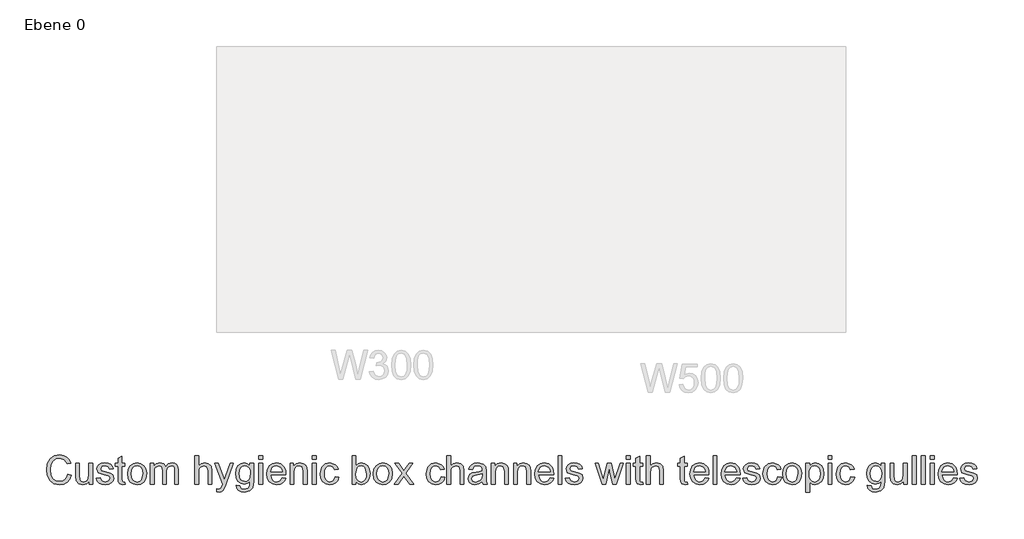
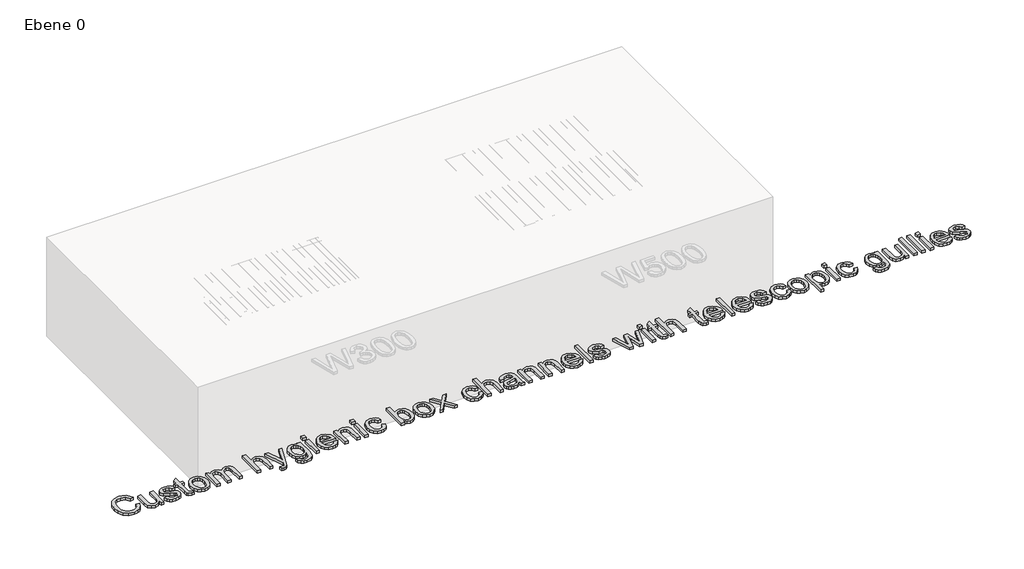
# One storey, part 3 of 4: 1 proxy.
"""IFC4 building model written with IfcOpenShell, lengths in millimetres."""

from ifc_helpers import new_model, si_unit, origin, origin_with_axes, place, context, project, spatial, polyline, outline, extrude, element, save

model = new_model("IFC4")

# Units and contexts
model_context = context("Model", 3, world=origin())
ifc_project = project(units=[si_unit("LENGTHUNIT", "METRE", prefix="MILLI")], contexts=[model_context])

# Site, building, storey
site = spatial("IfcSite", under=ifc_project)
building = spatial("IfcBuilding", under=site)
storey = spatial("IfcBuildingStorey", under=building, Name="Ebene 0", Elevation=0.0)

# Proxy
placement = place(None, origin())
element("IfcBuildingElementProxy", 1, Name="100mm ACO", ObjectType="100mm ACO", at=placement, inside=storey, context=model_context, shape_type="SweptSolid", body=[
    extrude(outline(polyline([(6937.778672, -4443.8593457), (6931.8650435, -4458.6850112), (6922.7468433, -4469.1921003), (6910.9593722, -4475.452951), (6897.0379312, -4477.5399012), (6876.1322599, -4473.6842878), (6861.7948757, -4462.1174475), (6853.5049451, -4445.12526), (6850.7416349, -4424.9936049), (6853.9859926, -4403.6068862), (6863.7190655, -4387.421267), (6878.5519648, -4377.2324649), (6897.0958016, -4373.8361975), (6910.4096037, -4375.6482635), (6921.6473062, -4381.0844614), (6930.3170111, -4390.0145829), (6935.9268201, -4402.3084197), (6922.9638572, -4405.317679), (6913.1114266, -4390.0543688), (6896.6039034, -4384.9473086), (6882.3822599, -4387.6563654), (6872.0668664, -4395.7835355), (6865.795165, -4408.4679973), (6863.7045979, -4424.848929), (6865.9181396, -4443.2119209), (6872.5587646, -4456.171267), (6882.7584173, -4463.8644093), (6895.6490423, -4466.4287901), (6906.2176187, -4464.8120366), (6914.6015886, -4459.9617762), (6920.8009521, -4451.8635413), (6924.815709, -4440.5028642), (6937.778672, -4443.8593457)])), origin_with_axes(), (0.0, 0.0, 1.0), 10.0),
    extrude(outline(polyline([(7011.852746, -4475.6880494), (7000.7416349, -4475.6880494), (7000.7416349, -4465.1845772), (6990.4985794, -4474.4510702), (6977.5356164, -4477.5399012), (6963.415246, -4474.0242762), (6954.7636257, -4464.3454568), (6952.5934868, -4448.3442994), (6952.5934868, -4403.4658272), (6965.5564497, -4403.4658272), (6965.5564497, -4444.4380494), (6966.4534405, -4458.5294846), (6971.1409405, -4465.5317994), (6980.1687183, -4468.280642), (6992.9146673, -4463.3616605), (6997.3960041, -4455.8095772), (6998.8897831, -4442.9912901), (6998.8897831, -4403.4658272), (7011.852746, -4403.4658272), (7011.852746, -4475.6880494)])), origin_with_axes(), (0.0, 0.0, 1.0), 10.0),
    extrude(outline(polyline([(7071.1120053, -4423.8361975), (7066.3232322, -4414.1139753), (7055.2555238, -4410.8732346), (7043.9418664, -4413.6510123), (7039.6305238, -4421.723929), (7042.4806396, -4428.8709197), (7055.9210331, -4432.7482346), (7073.643834, -4436.9149012), (7082.6860794, -4443.2372392), (7085.9268201, -4454.5653642), (7083.9158247, -4463.4954857), (7077.8828386, -4470.8992762), (7068.4861372, -4475.879745), (7056.383996, -4477.5399012), (7043.9093143, -4476.1437785), (7034.4945284, -4471.9554105), (7028.1324046, -4464.9820309), (7024.815709, -4455.2308735), (7037.778672, -4453.4658272), (7043.3776303, -4464.5914059), (7056.383996, -4468.280642), (7068.6814497, -4464.4467299), (7072.9638572, -4455.1151327), (7071.0396673, -4449.140017), (7066.2364266, -4445.7690679), (7052.6513572, -4442.8755494), (7031.7167507, -4435.0630494), (7026.6675609, -4422.4762438), (7028.5374972, -4414.1899302), (7034.1473062, -4407.5022855), (7042.9182842, -4403.0860529), (7054.2717275, -4401.6139753), (7066.2038745, -4402.901591), (7075.1484636, -4406.7644383), (7081.1054949, -4413.1952832), (7084.0749683, -4422.186892), (7071.1120053, -4423.8361975)])), origin_with_axes(), (0.0, 0.0, 1.0), 10.0),
    extrude(outline(polyline([(7126.6675609, -4476.7007809), (7117.5819127, -4477.5399012), (7105.993371, -4474.6608503), (7101.5518201, -4467.354716), (7100.7416349, -4455.0283272), (7100.7416349, -4412.7250864), (7091.4823757, -4412.7250864), (7091.4823757, -4403.4658272), (7100.7416349, -4403.4658272), (7100.7416349, -4385.1209197), (7113.7045979, -4377.5399012), (7113.7045979, -4403.4658272), (7124.815709, -4403.4658272), (7124.815709, -4412.7250864), (7113.7045979, -4412.7250864), (7113.7045979, -4457.6324938), (7114.7462646, -4465.8500864), (7120.0414034, -4468.280642), (7125.0761257, -4468.280642), (7126.6675609, -4476.7007809)])), origin_with_axes(), (0.0, 0.0, 1.0), 10.0),
    extrude(outline(polyline([(7167.3793664, -4401.6139753), (7180.5557264, -4404.0083619), (7191.2653618, -4411.1915216), (7198.3725666, -4422.7872971), (7200.7416349, -4438.4195309), (7198.1772541, -4456.6921003), (7190.4841118, -4468.6857346), (7179.5791639, -4475.3263596), (7167.3793664, -4477.5399012), (7154.788944, -4475.2648723), (7143.9852692, -4468.4397855), (7136.5525435, -4456.6740158), (7134.0749683, -4439.5769383), (7136.4693548, -4422.859635), (7143.6525146, -4411.0179105), (7154.3730007, -4403.9649591), (7167.3793664, -4401.6139753)]), holes=[polyline([(7167.3793664, -4468.280642), (7176.1865134, -4466.2732635), (7182.5848062, -4460.2511281), (7187.778672, -4439.1139753), (7186.3102113, -4426.8309892), (7181.9048294, -4417.9912901), (7175.3365423, -4412.6527485), (7167.3793664, -4410.8732346), (7159.2666639, -4412.6780667), (7152.7526303, -4418.0925633), (7148.466606, -4427.0805552), (7147.0379312, -4439.6058735), (7148.4919243, -4452.087789), (7152.8539034, -4461.0613133), (7159.3932553, -4466.4758098), (7167.3793664, -4468.280642)])]), origin_with_axes(), (0.0, 0.0, 1.0), 10.0),
    extrude(outline(polyline([(7311.852746, -4475.6880494), (7298.8897831, -4475.6880494), (7298.8897831, -4428.9866605), (7298.2387414, -4420.1758966), (7294.8533247, -4413.6944151), (7286.3319127, -4410.8732346), (7274.3238109, -4416.0236975), (7270.5260678, -4422.7800633), (7269.2601534, -4432.7482346), (7269.2601534, -4475.6880494), (7256.2971905, -4475.6880494), (7256.2971905, -4427.5977716), (7253.1143201, -4414.4322623), (7244.0865423, -4410.8732346), (7231.5576072, -4416.4432577), (7227.8900724, -4424.4402195), (7226.6675609, -4437.2910586), (7226.6675609, -4475.6880494), (7213.7045979, -4475.6880494), (7213.7045979, -4403.4658272), (7224.815709, -4403.4658272), (7224.815709, -4413.3616605), (7234.1979428, -4404.5508966), (7246.7485794, -4401.6139753), (7259.9285562, -4404.7823781), (7267.4083016, -4414.3165216), (7276.9279775, -4404.7896119), (7289.5147831, -4401.6139753), (7299.2876419, -4403.1330725), (7306.2682553, -4407.6903642), (7310.4566234, -4415.2858503), (7311.852746, -4425.9195309), (7311.852746, -4475.6880494)])), origin_with_axes(), (0.0, 0.0, 1.0), 10.0),
    extrude(outline(polyline([(7428.5194127, -4475.6880494), (7415.5564497, -4475.6880494), (7415.5564497, -4428.9866605), (7411.8672136, -4415.401591), (7400.8573757, -4410.8732346), (7387.9233479, -4416.2117762), (7383.6481743, -4423.6445019), (7382.2231164, -4435.2655957), (7382.2231164, -4475.6880494), (7369.2601534, -4475.6880494), (7369.2601534, -4375.6880494), (7382.2231164, -4375.6880494), (7382.2231164, -4411.5098086), (7391.9236372, -4404.0879336), (7403.7798294, -4401.6139753), (7417.0610794, -4404.4785586), (7425.9586488, -4413.2893225), (7428.5194127, -4429.7968457), (7428.5194127, -4475.6880494)])), origin_with_axes(), (0.0, 0.0, 1.0), 10.0),
    extrude(outline(polyline([(7504.4453386, -4403.4658272), (7477.2751997, -4477.6267068), (7468.2329544, -4496.9698781), (7462.1457148, -4501.8418399), (7453.9245053, -4503.4658272), (7446.3434868, -4502.3084197), (7445.1860794, -4492.354716), (7451.7254312, -4494.2065679), (7460.5795979, -4490.2424475), (7466.4534405, -4476.7586512), (7439.6305238, -4403.4658272), (7451.3492738, -4403.4658272), (7468.9708016, -4449.5595772), (7472.2983479, -4460.4970772), (7477.2173294, -4446.8107346), (7492.7555238, -4403.4658272), (7504.4453386, -4403.4658272)])), origin_with_axes(), (0.0, 0.0, 1.0), 10.0),
    extrude(outline(polyline([(7574.815709, -4465.0399012), (7571.763047, -4487.6816836), (7560.8978849, -4499.3136281), (7542.2346905, -4503.4658272), (7531.0186893, -4502.0588538), (7521.8498525, -4497.8379336), (7515.7409115, -4490.4124417), (7513.7045979, -4479.3917531), (7526.6675609, -4481.4461512), (7531.2393201, -4491.0092299), (7542.4372368, -4494.2065679), (7555.747422, -4490.5173318), (7560.9123525, -4481.5329568), (7561.852746, -4466.9206883), (7553.0781511, -4473.4962091), (7542.2636257, -4475.6880494), (7529.8721326, -4473.0766489), (7520.1860794, -4465.2424475), (7513.9360794, -4453.4296582), (7511.852746, -4438.8824938), (7513.8348062, -4424.2412901), (7519.7809868, -4412.2621235), (7529.2283247, -4404.2760123), (7541.7138572, -4401.6139753), (7552.7887993, -4403.9938943), (7561.5923294, -4411.1336512), (7561.852746, -4403.4658272), (7574.815709, -4403.4658272), (7574.815709, -4465.0399012)]), holes=[polyline([(7544.2022831, -4466.4287901), (7551.414378, -4464.8228873), (7557.7728849, -4460.005179), (7562.2216697, -4451.411429), (7563.7045979, -4438.4774012), (7562.2903907, -4426.6899302), (7558.0477692, -4418.0057577), (7551.7218143, -4412.6563654), (7544.0576072, -4410.8732346), (7536.3355296, -4412.6997681), (7530.1831859, -4418.1793688), (7526.1575782, -4426.8346061), (7524.815709, -4438.1880494), (7526.2226824, -4450.9050633), (7530.4436025, -4459.6579568), (7536.6972194, -4464.7360818), (7544.2022831, -4466.4287901)])]), origin_with_axes(), (0.0, 0.0, 1.0), 10.0),
    extrude(outline(polyline([(7606.2971905, -4388.6510123), (7593.3342275, -4388.6510123), (7593.3342275, -4375.6880494), (7606.2971905, -4375.6880494), (7606.2971905, -4388.6510123)])), origin_with_axes(), (0.0, 0.0, 1.0), 10.0),
    extrude(outline(polyline([(7606.2971905, -4475.6880494), (7593.3342275, -4475.6880494), (7593.3342275, -4403.4658272), (7606.2971905, -4403.4658272), (7606.2971905, -4475.6880494)])), origin_with_axes(), (0.0, 0.0, 1.0), 10.0),
    extrude(outline(polyline([(7687.778672, -4442.354716), (7634.0749683, -4442.354716), (7636.1474509, -4453.4802947), (7640.8602692, -4461.6255494), (7647.6419532, -4466.6168688), (7655.9210331, -4468.280642), (7667.5963803, -4464.5914059), (7674.815709, -4453.4658272), (7687.778672, -4454.9704568), (7683.4022252, -4464.5914059), (7676.4650146, -4471.6949938), (7667.2202229, -4476.0786744), (7655.9210331, -4477.5399012), (7641.3340828, -4475.0333908), (7630.3278618, -4467.5138596), (7623.4159694, -4455.6540505), (7621.1120053, -4440.1267068), (7623.3327808, -4424.5885123), (7629.9951072, -4412.2910586), (7640.6938919, -4404.2832461), (7655.0240423, -4401.6139753), (7670.2439497, -4405.0717299), (7682.6716118, -4416.8483503), (7686.5019069, -4427.3843746), (7687.778672, -4442.354716)]), holes=[polyline([(7674.815709, -4433.0954568), (7672.7323757, -4422.9392068), (7667.9870053, -4416.0815679), (7654.7057553, -4410.8732346), (7646.8498525, -4412.421267), (7640.5275146, -4417.0653642), (7634.0749683, -4433.0954568), (7674.815709, -4433.0954568)])]), origin_with_axes(), (0.0, 0.0, 1.0), 10.0),
    extrude(outline(polyline([(7761.852746, -4475.6880494), (7748.8897831, -4475.6880494), (7748.8897831, -4430.7227716), (7745.0269359, -4415.1267068), (7734.2775146, -4410.8732346), (7724.2514729, -4413.593142), (7717.5385099, -4421.260966), (7715.5564497, -4435.2655957), (7715.5564497, -4475.6880494), (7702.5934868, -4475.6880494), (7702.5934868, -4403.4658272), (7713.7045979, -4403.4658272), (7713.7045979, -4413.5063364), (7723.6004312, -4404.5798318), (7736.852746, -4401.6139753), (7748.2242738, -4403.6683735), (7757.0205701, -4409.8171003), (7761.0280933, -4418.5555262), (7761.852746, -4431.098929), (7761.852746, -4475.6880494)])), origin_with_axes(), (0.0, 0.0, 1.0), 10.0),
    extrude(outline(polyline([(7793.3342275, -4388.6510123), (7780.3712646, -4388.6510123), (7780.3712646, -4375.6880494), (7793.3342275, -4375.6880494), (7793.3342275, -4388.6510123)])), origin_with_axes(), (0.0, 0.0, 1.0), 10.0),
    extrude(outline(polyline([(7793.3342275, -4475.6880494), (7780.3712646, -4475.6880494), (7780.3712646, -4403.4658272), (7793.3342275, -4403.4658272), (7793.3342275, -4475.6880494)])), origin_with_axes(), (0.0, 0.0, 1.0), 10.0),
    extrude(outline(polyline([(7872.9638572, -4451.2378179), (7868.9346326, -4463.0433735), (7861.7659405, -4471.2030957), (7852.4415771, -4475.9556998), (7841.9453386, -4477.5399012), (7827.6296558, -4474.9502022), (7816.9742738, -4467.1811049), (7810.3553502, -4455.1368341), (7808.1490423, -4439.7216142), (7813.1837646, -4417.036429), (7825.7850377, -4405.0717299), (7841.684922, -4401.6139753), (7861.143834, -4407.270804), (7867.679569, -4414.2550343), (7871.1120053, -4423.8940679), (7858.1490423, -4425.6880494), (7852.2462646, -4414.5914059), (7841.8295979, -4410.8732346), (7832.8741581, -4412.7576385), (7826.378209, -4418.4108503), (7822.4285562, -4427.442245), (7821.1120053, -4439.4611975), (7822.4321731, -4451.6899302), (7826.3926766, -4460.7719614), (7832.841606, -4466.4034718), (7841.6270516, -4468.280642), (7854.2283247, -4463.6510123), (7860.0008942, -4449.7621235), (7872.9638572, -4451.2378179)])), origin_with_axes(), (0.0, 0.0, 1.0), 10.0),
    extrude(outline(polyline([(7932.3967275, -4410.6128179), (7940.758996, -4403.863686), (7951.841172, -4401.6139753), (7964.2652171, -4404.1602716), (7973.9331859, -4411.7991605), (7980.1506338, -4423.5468457), (7982.2231164, -4438.4195309), (7979.9444706, -4455.1549186), (7973.1085331, -4467.4559892), (7963.2199335, -4475.0189232), (7951.7833016, -4477.5399012), (7940.7662298, -4475.0659429), (7932.4835331, -4467.6440679), (7932.2231164, -4475.6880494), (7919.2601534, -4475.6880494), (7919.2601534, -4375.6880494), (7932.2231164, -4375.6880494), (7932.3967275, -4410.6128179)]), holes=[polyline([(7950.5680238, -4468.280642), (7957.9862819, -4466.3890042), (7963.9794822, -4460.714091), (7967.9399856, -4451.6175922), (7969.2601534, -4439.4611975), (7964.3990423, -4418.5844614), (7958.6120053, -4412.8010413), (7950.9731164, -4410.8732346), (7943.3486951, -4412.8625285), (7937.3735794, -4418.8304105), (7932.2231164, -4438.9692994), (7934.3643201, -4455.9253179), (7940.8168664, -4464.620341), (7950.5680238, -4468.280642)])]), origin_with_axes(), (0.0, 0.0, 1.0), 10.0),
    extrude(outline(polyline([(8026.6386257, -4401.6139753), (8039.8149856, -4404.0083619), (8050.524621, -4411.1915216), (8057.6318259, -4422.7872971), (8060.0008942, -4438.4195309), (8057.4365134, -4456.6921003), (8049.743371, -4468.6857346), (8038.8384231, -4475.3263596), (8026.6386257, -4477.5399012), (8014.0482032, -4475.2648723), (8003.2445284, -4468.4397855), (7995.8118028, -4456.6740158), (7993.3342275, -4439.5769383), (7995.7286141, -4422.859635), (8002.9117738, -4411.0179105), (8013.6322599, -4403.9649591), (8026.6386257, -4401.6139753)]), holes=[polyline([(8026.6386257, -4468.280642), (8035.4457727, -4466.2732635), (8041.8440655, -4460.2511281), (8047.0379312, -4439.1139753), (8045.5694706, -4426.8309892), (8041.1640886, -4417.9912901), (8034.5958016, -4412.6527485), (8026.6386257, -4410.8732346), (8018.5259231, -4412.6780667), (8012.0118896, -4418.0925633), (8007.7258653, -4427.0805552), (8006.2971905, -4439.6058735), (8007.7511835, -4452.087789), (8012.1131627, -4461.0613133), (8018.6525146, -4466.4758098), (8026.6386257, -4468.280642)])]), origin_with_axes(), (0.0, 0.0, 1.0), 10.0),
    extrude(outline(polyline([(8134.0749683, -4475.6880494), (8121.0251997, -4475.6880494), (8100.7705701, -4447.3894383), (8080.5159405, -4475.6880494), (8067.4083016, -4475.6880494), (8094.1733479, -4438.2748549), (8069.2601534, -4403.4658272), (8082.309922, -4403.4658272), (8100.7126997, -4429.1313364), (8119.0865423, -4403.4658272), (8132.2231164, -4403.4658272), (8107.2809868, -4438.3037901), (8134.0749683, -4475.6880494)])), origin_with_axes(), (0.0, 0.0, 1.0), 10.0),
    extrude(outline(polyline([(8243.3342275, -4451.2378179), (8239.305003, -4463.0433735), (8232.1363109, -4471.2030957), (8222.8119474, -4475.9556998), (8212.315709, -4477.5399012), (8198.0000261, -4474.9502022), (8187.3446442, -4467.1811049), (8180.7257206, -4455.1368341), (8178.5194127, -4439.7216142), (8183.5541349, -4417.036429), (8196.1554081, -4405.0717299), (8212.0552923, -4401.6139753), (8231.5142044, -4407.270804), (8238.0499393, -4414.2550343), (8241.4823757, -4423.8940679), (8228.5194127, -4425.6880494), (8222.6166349, -4414.5914059), (8212.1999683, -4410.8732346), (8203.2445284, -4412.7576385), (8196.7485794, -4418.4108503), (8192.7989266, -4427.442245), (8191.4823757, -4439.4611975), (8192.8025435, -4451.6899302), (8196.763047, -4460.7719614), (8203.2119764, -4466.4034718), (8211.997422, -4468.280642), (8224.5986951, -4463.6510123), (8230.3712646, -4449.7621235), (8243.3342275, -4451.2378179)])), origin_with_axes(), (0.0, 0.0, 1.0), 10.0),
    extrude(outline(polyline([(8310.0008942, -4475.6880494), (8297.0379312, -4475.6880494), (8297.0379312, -4428.9866605), (8293.3486951, -4415.401591), (8282.3388572, -4410.8732346), (8269.4048294, -4416.2117762), (8265.1296558, -4423.6445019), (8263.7045979, -4435.2655957), (8263.7045979, -4475.6880494), (8250.7416349, -4475.6880494), (8250.7416349, -4375.6880494), (8263.7045979, -4375.6880494), (8263.7045979, -4411.5098086), (8273.4051187, -4404.0879336), (8285.2613109, -4401.6139753), (8298.5425609, -4404.4785586), (8307.4401303, -4413.2893225), (8310.0008942, -4429.7968457), (8310.0008942, -4475.6880494)])), origin_with_axes(), (0.0, 0.0, 1.0), 10.0),
    extrude(outline(polyline([(8391.4823757, -4475.6880494), (8378.5194127, -4475.6880494), (8374.815709, -4466.9496235), (8362.3229428, -4474.8923318), (8348.8608479, -4477.5399012), (8338.8745921, -4476.093142), (8331.2537877, -4471.7528642), (8326.4252287, -4465.0399012), (8324.815709, -4456.4750864), (8326.3926766, -4448.1670714), (8331.1235794, -4441.4721929), (8339.7534984, -4436.5785297), (8353.0275146, -4433.6741605), (8364.3701072, -4431.9380494), (8374.815709, -4429.3917531), (8374.4829544, -4421.3622392), (8372.544297, -4416.4866605), (8367.3793664, -4412.421267), (8357.8018201, -4410.8732346), (8345.7213803, -4414.0127022), (8339.6305238, -4425.6880494), (8326.6675609, -4424.0966142), (8330.2229717, -4414.2875864), (8336.8961488, -4407.2563364), (8346.6798583, -4403.0245656), (8359.5668664, -4401.6139753), (8378.8232322, -4405.4768225), (8386.3753155, -4414.7939522), (8387.778672, -4428.8419846), (8387.778672, -4445.3639753), (8388.3284405, -4465.6186049), (8391.4823757, -4475.6880494)]), holes=[polyline([(8374.815709, -4443.280642), (8374.815709, -4438.6510123), (8351.5373525, -4443.9750864), (8341.2183421, -4448.0332461), (8337.778672, -4456.2725401), (8341.4823757, -4464.8952253), (8352.159459, -4468.280642), (8367.9725377, -4462.6093457), (8373.1049162, -4454.9415216), (8374.815709, -4443.280642)])]), origin_with_axes(), (0.0, 0.0, 1.0), 10.0),
    extrude(outline(polyline([(8465.5564497, -4475.6880494), (8452.5934868, -4475.6880494), (8452.5934868, -4430.7227716), (8448.7306396, -4415.1267068), (8437.9812183, -4410.8732346), (8427.9551766, -4413.593142), (8421.2422136, -4421.260966), (8419.2601534, -4435.2655957), (8419.2601534, -4475.6880494), (8406.2971905, -4475.6880494), (8406.2971905, -4403.4658272), (8417.4083016, -4403.4658272), (8417.4083016, -4413.5063364), (8427.3041349, -4404.5798318), (8440.5564497, -4401.6139753), (8451.9279775, -4403.6683735), (8460.7242738, -4409.8171003), (8464.731797, -4418.5555262), (8465.5564497, -4431.098929), (8465.5564497, -4475.6880494)])), origin_with_axes(), (0.0, 0.0, 1.0), 10.0),
    extrude(outline(polyline([(8543.3342275, -4475.6880494), (8530.3712646, -4475.6880494), (8530.3712646, -4430.7227716), (8526.5084173, -4415.1267068), (8515.758996, -4410.8732346), (8505.7329544, -4413.593142), (8499.0199914, -4421.260966), (8497.0379312, -4435.2655957), (8497.0379312, -4475.6880494), (8484.0749683, -4475.6880494), (8484.0749683, -4403.4658272), (8495.1860794, -4403.4658272), (8495.1860794, -4413.5063364), (8505.0819127, -4404.5798318), (8518.3342275, -4401.6139753), (8529.7057553, -4403.6683735), (8538.5020516, -4409.8171003), (8542.5095747, -4418.5555262), (8543.3342275, -4431.098929), (8543.3342275, -4475.6880494)])), origin_with_axes(), (0.0, 0.0, 1.0), 10.0),
    extrude(outline(polyline([(8624.815709, -4442.354716), (8571.1120053, -4442.354716), (8573.1844879, -4453.4802947), (8577.8973062, -4461.6255494), (8584.6789903, -4466.6168688), (8592.9580701, -4468.280642), (8604.6334173, -4464.5914059), (8611.852746, -4453.4658272), (8624.815709, -4454.9704568), (8620.4392622, -4464.5914059), (8613.5020516, -4471.6949938), (8604.2572599, -4476.0786744), (8592.9580701, -4477.5399012), (8578.3711199, -4475.0333908), (8567.3648988, -4467.5138596), (8560.4530065, -4455.6540505), (8558.1490423, -4440.1267068), (8560.3698178, -4424.5885123), (8567.0321442, -4412.2910586), (8577.7309289, -4404.2832461), (8592.0610794, -4401.6139753), (8607.2809868, -4405.0717299), (8619.7086488, -4416.8483503), (8623.538944, -4427.3843746), (8624.815709, -4442.354716)]), holes=[polyline([(8611.852746, -4433.0954568), (8609.7694127, -4422.9392068), (8605.0240423, -4416.0815679), (8591.7427923, -4410.8732346), (8583.8868896, -4412.421267), (8577.5645516, -4417.0653642), (8571.1120053, -4433.0954568), (8611.852746, -4433.0954568)])]), origin_with_axes(), (0.0, 0.0, 1.0), 10.0),
    extrude(outline(polyline([(8652.5934868, -4475.6880494), (8639.6305238, -4475.6880494), (8639.6305238, -4375.6880494), (8652.5934868, -4375.6880494), (8652.5934868, -4475.6880494)])), origin_with_axes(), (0.0, 0.0, 1.0), 10.0),
    extrude(outline(polyline([(8711.852746, -4423.8361975), (8707.0639729, -4414.1139753), (8695.9962646, -4410.8732346), (8684.6826072, -4413.6510123), (8680.3712646, -4421.723929), (8683.2213803, -4428.8709197), (8696.6617738, -4432.7482346), (8714.3845747, -4436.9149012), (8723.4268201, -4443.2372392), (8726.6675609, -4454.5653642), (8724.6565655, -4463.4954857), (8718.6235794, -4470.8992762), (8709.226878, -4475.879745), (8697.1247368, -4477.5399012), (8684.6500551, -4476.1437785), (8675.2352692, -4471.9554105), (8668.8731453, -4464.9820309), (8665.5564497, -4455.2308735), (8678.5194127, -4453.4658272), (8684.118371, -4464.5914059), (8697.1247368, -4468.280642), (8709.4221905, -4464.4467299), (8713.7045979, -4455.1151327), (8711.7804081, -4449.140017), (8706.9771673, -4445.7690679), (8693.3920979, -4442.8755494), (8672.4574914, -4435.0630494), (8667.4083016, -4422.4762438), (8669.2782379, -4414.1899302), (8674.888047, -4407.5022855), (8683.659025, -4403.0860529), (8695.0124683, -4401.6139753), (8706.9446153, -4402.901591), (8715.8892044, -4406.7644383), (8721.8462356, -4413.1952832), (8724.815709, -4422.186892), (8711.852746, -4423.8361975)])), origin_with_axes(), (0.0, 0.0, 1.0), 10.0),
    extrude(outline(polyline([(8867.8712646, -4403.4658272), (8843.6525146, -4475.6880494), (8831.383996, -4475.6880494), (8820.8805238, -4432.2852716), (8819.5784405, -4426.4258966), (8818.3342275, -4420.0167531), (8805.5738109, -4475.6880494), (8793.3342275, -4475.6880494), (8768.7971905, -4403.4658272), (8780.3423294, -4403.4658272), (8797.9638572, -4460.6996235), (8800.0761257, -4450.948466), (8811.1004312, -4403.4658272), (8825.6837646, -4403.4658272), (8834.4221905, -4441.3419846), (8838.4731164, -4459.1371235), (8856.3261257, -4403.4658272), (8867.8712646, -4403.4658272)])), origin_with_axes(), (0.0, 0.0, 1.0), 10.0),
    extrude(outline(polyline([(8891.4823757, -4475.6880494), (8878.5194127, -4475.6880494), (8878.5194127, -4403.4658272), (8891.4823757, -4403.4658272), (8891.4823757, -4475.6880494)])), origin_with_axes(), (0.0, 0.0, 1.0), 10.0),
    extrude(outline(polyline([(8891.4823757, -4388.6510123), (8878.5194127, -4388.6510123), (8878.5194127, -4375.6880494), (8891.4823757, -4375.6880494), (8891.4823757, -4388.6510123)])), origin_with_axes(), (0.0, 0.0, 1.0), 10.0),
    extrude(outline(polyline([(8937.778672, -4476.7007809), (8928.6930238, -4477.5399012), (8917.1044822, -4474.6608503), (8912.6629312, -4467.354716), (8911.852746, -4455.0283272), (8911.852746, -4412.7250864), (8902.5934868, -4412.7250864), (8902.5934868, -4403.4658272), (8911.852746, -4403.4658272), (8911.852746, -4385.1209197), (8924.815709, -4377.5399012), (8924.815709, -4403.4658272), (8935.9268201, -4403.4658272), (8935.9268201, -4412.7250864), (8924.815709, -4412.7250864), (8924.815709, -4457.6324938), (8925.8573757, -4465.8500864), (8931.1525146, -4468.280642), (8936.1872368, -4468.280642), (8937.778672, -4476.7007809)])), origin_with_axes(), (0.0, 0.0, 1.0), 10.0),
    extrude(outline(polyline([(9008.1490423, -4475.6880494), (8995.1860794, -4475.6880494), (8995.1860794, -4428.9866605), (8991.4968433, -4415.401591), (8980.4870053, -4410.8732346), (8967.5529775, -4416.2117762), (8963.2778039, -4423.6445019), (8961.852746, -4435.2655957), (8961.852746, -4475.6880494), (8948.8897831, -4475.6880494), (8948.8897831, -4375.6880494), (8961.852746, -4375.6880494), (8961.852746, -4411.5098086), (8971.5532669, -4404.0879336), (8983.409459, -4401.6139753), (8996.690709, -4404.4785586), (9005.5882784, -4413.2893225), (9008.1490423, -4429.7968457), (9008.1490423, -4475.6880494)])), origin_with_axes(), (0.0, 0.0, 1.0), 10.0),
    extrude(outline(polyline([(9093.3342275, -4476.7007809), (9084.2485794, -4477.5399012), (9072.6600377, -4474.6608503), (9068.2184868, -4467.354716), (9067.4083016, -4455.0283272), (9067.4083016, -4412.7250864), (9058.1490423, -4412.7250864), (9058.1490423, -4403.4658272), (9067.4083016, -4403.4658272), (9067.4083016, -4385.1209197), (9080.3712646, -4377.5399012), (9080.3712646, -4403.4658272), (9091.4823757, -4403.4658272), (9091.4823757, -4412.7250864), (9080.3712646, -4412.7250864), (9080.3712646, -4457.6324938), (9081.4129312, -4465.8500864), (9086.7080701, -4468.280642), (9091.7427923, -4468.280642), (9093.3342275, -4476.7007809)])), origin_with_axes(), (0.0, 0.0, 1.0), 10.0),
    extrude(outline(polyline([(9167.4083016, -4442.354716), (9113.7045979, -4442.354716), (9115.7770805, -4453.4802947), (9120.4898988, -4461.6255494), (9127.2715828, -4466.6168688), (9135.5506627, -4468.280642), (9147.2260099, -4464.5914059), (9154.4453386, -4453.4658272), (9167.4083016, -4454.9704568), (9163.0318548, -4464.5914059), (9156.0946442, -4471.6949938), (9146.8498525, -4476.0786744), (9135.5506627, -4477.5399012), (9120.9637125, -4475.0333908), (9109.9574914, -4467.5138596), (9103.045599, -4455.6540505), (9100.7416349, -4440.1267068), (9102.9624104, -4424.5885123), (9109.6247368, -4412.2910586), (9120.3235215, -4404.2832461), (9134.653672, -4401.6139753), (9149.8735794, -4405.0717299), (9162.3012414, -4416.8483503), (9166.1315365, -4427.3843746), (9167.4083016, -4442.354716)]), holes=[polyline([(9154.4453386, -4433.0954568), (9152.3620053, -4422.9392068), (9147.6166349, -4416.0815679), (9134.3353849, -4410.8732346), (9126.4794822, -4412.421267), (9120.1571442, -4417.0653642), (9113.7045979, -4433.0954568), (9154.4453386, -4433.0954568)])]), origin_with_axes(), (0.0, 0.0, 1.0), 10.0),
    extrude(outline(polyline([(9195.1860794, -4475.6880494), (9182.2231164, -4475.6880494), (9182.2231164, -4375.6880494), (9195.1860794, -4375.6880494), (9195.1860794, -4475.6880494)])), origin_with_axes(), (0.0, 0.0, 1.0), 10.0),
    extrude(outline(polyline([(9276.6675609, -4442.354716), (9222.9638572, -4442.354716), (9225.0363398, -4453.4802947), (9229.7491581, -4461.6255494), (9236.5308421, -4466.6168688), (9244.809922, -4468.280642), (9256.4852692, -4464.5914059), (9263.7045979, -4453.4658272), (9276.6675609, -4454.9704568), (9272.2911141, -4464.5914059), (9265.3539034, -4471.6949938), (9256.1091118, -4476.0786744), (9244.809922, -4477.5399012), (9230.2229717, -4475.0333908), (9219.2167507, -4467.5138596), (9212.3048583, -4455.6540505), (9210.0008942, -4440.1267068), (9212.2216697, -4424.5885123), (9218.883996, -4412.2910586), (9229.5827808, -4404.2832461), (9243.9129312, -4401.6139753), (9259.1328386, -4405.0717299), (9271.5605007, -4416.8483503), (9275.3907958, -4427.3843746), (9276.6675609, -4442.354716)]), holes=[polyline([(9263.7045979, -4433.0954568), (9261.6212646, -4422.9392068), (9256.8758942, -4416.0815679), (9243.5946442, -4410.8732346), (9235.7387414, -4412.421267), (9229.4164034, -4417.0653642), (9222.9638572, -4433.0954568), (9263.7045979, -4433.0954568)])]), origin_with_axes(), (0.0, 0.0, 1.0), 10.0),
    extrude(outline(polyline([(9332.2231164, -4423.8361975), (9327.4343433, -4414.1139753), (9316.3666349, -4410.8732346), (9305.0529775, -4413.6510123), (9300.7416349, -4421.723929), (9303.5917507, -4428.8709197), (9317.0321442, -4432.7482346), (9334.7549451, -4436.9149012), (9343.7971905, -4443.2372392), (9347.0379312, -4454.5653642), (9345.0269359, -4463.4954857), (9338.9939497, -4470.8992762), (9329.5972484, -4475.879745), (9317.4951072, -4477.5399012), (9305.0204254, -4476.1437785), (9295.6056396, -4471.9554105), (9289.2435157, -4464.9820309), (9285.9268201, -4455.2308735), (9298.8897831, -4453.4658272), (9304.4887414, -4464.5914059), (9317.4951072, -4468.280642), (9329.7925609, -4464.4467299), (9334.0749683, -4455.1151327), (9332.1507784, -4449.140017), (9327.3475377, -4445.7690679), (9313.7624683, -4442.8755494), (9292.8278618, -4435.0630494), (9287.778672, -4422.4762438), (9289.6486083, -4414.1899302), (9295.2584173, -4407.5022855), (9304.0293953, -4403.0860529), (9315.3828386, -4401.6139753), (9327.3149856, -4402.901591), (9336.2595747, -4406.7644383), (9342.216606, -4413.1952832), (9345.1860794, -4422.186892), (9332.2231164, -4423.8361975)])), origin_with_axes(), (0.0, 0.0, 1.0), 10.0),
    extrude(outline(polyline([(9421.1120053, -4451.2378179), (9417.0827808, -4463.0433735), (9409.9140886, -4471.2030957), (9400.5897252, -4475.9556998), (9390.0934868, -4477.5399012), (9375.7778039, -4474.9502022), (9365.122422, -4467.1811049), (9358.5034984, -4455.1368341), (9356.2971905, -4439.7216142), (9361.3319127, -4417.036429), (9373.9331859, -4405.0717299), (9389.8330701, -4401.6139753), (9409.2919822, -4407.270804), (9415.8277171, -4414.2550343), (9419.2601534, -4423.8940679), (9406.2971905, -4425.6880494), (9400.3944127, -4414.5914059), (9389.977746, -4410.8732346), (9381.0223062, -4412.7576385), (9374.5263572, -4418.4108503), (9370.5767044, -4427.442245), (9369.2601534, -4439.4611975), (9370.5803213, -4451.6899302), (9374.5408247, -4460.7719614), (9380.9897541, -4466.4034718), (9389.7751997, -4468.280642), (9402.3764729, -4463.6510123), (9408.1490423, -4449.7621235), (9421.1120053, -4451.2378179)])), origin_with_axes(), (0.0, 0.0, 1.0), 10.0),
    extrude(outline(polyline([(9458.1201072, -4401.6139753), (9471.2964671, -4404.0083619), (9482.0061025, -4411.1915216), (9489.1133074, -4422.7872971), (9491.4823757, -4438.4195309), (9488.9179949, -4456.6921003), (9481.2248525, -4468.6857346), (9470.3199046, -4475.3263596), (9458.1201072, -4477.5399012), (9445.5296847, -4475.2648723), (9434.7260099, -4468.4397855), (9427.2932842, -4456.6740158), (9424.815709, -4439.5769383), (9427.2100956, -4422.859635), (9434.3932553, -4411.0179105), (9445.1137414, -4403.9649591), (9458.1201072, -4401.6139753)]), holes=[polyline([(9458.1201072, -4468.280642), (9466.9272541, -4466.2732635), (9473.325547, -4460.2511281), (9478.5194127, -4439.1139753), (9477.0509521, -4426.8309892), (9472.6455701, -4417.9912901), (9466.0772831, -4412.6527485), (9458.1201072, -4410.8732346), (9450.0074046, -4412.6780667), (9443.493371, -4418.0925633), (9439.2073467, -4427.0805552), (9437.778672, -4439.6058735), (9439.232665, -4452.087789), (9443.5946442, -4461.0613133), (9450.133996, -4466.4758098), (9458.1201072, -4468.280642)])]), origin_with_axes(), (0.0, 0.0, 1.0), 10.0),
    extrude(outline(polyline([(9519.3903618, -4412.1753179), (9527.8466697, -4404.254311), (9539.5147831, -4401.6139753), (9551.841172, -4404.2036744), (9561.2740423, -4411.9727716), (9567.2636257, -4423.9013017), (9569.2601534, -4438.9692994), (9567.003209, -4454.8583329), (9560.2323757, -4467.108767), (9550.1773988, -4474.9321177), (9538.0680238, -4477.5399012), (9527.6947599, -4475.4131651), (9519.6073757, -4469.0329568), (9519.2601534, -4503.4658272), (9506.2971905, -4503.4658272), (9506.2971905, -4403.4658272), (9519.2601534, -4403.4658272), (9519.3903618, -4412.1753179)]), holes=[polyline([(9536.6501997, -4468.280642), (9544.4229139, -4466.4541084), (9550.7271673, -4460.9745077), (9554.9046847, -4451.8780089), (9556.2971905, -4439.2007809), (9554.9553213, -4427.1239579), (9550.9297136, -4418.208304), (9544.8135389, -4412.7070019), (9537.1999683, -4410.8732346), (9529.3187472, -4412.916782), (9522.9783247, -4419.0474244), (9518.8008074, -4428.4332751), (9517.4083016, -4440.2424475), (9518.742937, -4452.3554394), (9522.7468433, -4461.1481188), (9528.8919532, -4466.4975112), (9536.6501997, -4468.280642)])]), origin_with_axes(), (0.0, 0.0, 1.0), 10.0),
    extrude(outline(polyline([(9597.0379312, -4475.6880494), (9584.0749683, -4475.6880494), (9584.0749683, -4403.4658272), (9597.0379312, -4403.4658272), (9597.0379312, -4475.6880494)])), origin_with_axes(), (0.0, 0.0, 1.0), 10.0),
    extrude(outline(polyline([(9597.0379312, -4388.6510123), (9584.0749683, -4388.6510123), (9584.0749683, -4375.6880494), (9597.0379312, -4375.6880494), (9597.0379312, -4388.6510123)])), origin_with_axes(), (0.0, 0.0, 1.0), 10.0),
    extrude(outline(polyline([(9676.6675609, -4451.2378179), (9672.6383363, -4463.0433735), (9665.4696442, -4471.2030957), (9656.1452808, -4475.9556998), (9645.6490423, -4477.5399012), (9631.3333595, -4474.9502022), (9620.6779775, -4467.1811049), (9614.0590539, -4455.1368341), (9611.852746, -4439.7216142), (9616.8874683, -4417.036429), (9629.4887414, -4405.0717299), (9645.3886257, -4401.6139753), (9664.8475377, -4407.270804), (9671.3832727, -4414.2550343), (9674.815709, -4423.8940679), (9661.852746, -4425.6880494), (9655.9499683, -4414.5914059), (9645.5333016, -4410.8732346), (9636.5778618, -4412.7576385), (9630.0819127, -4418.4108503), (9626.1322599, -4427.442245), (9624.815709, -4439.4611975), (9626.1358768, -4451.6899302), (9630.0963803, -4460.7719614), (9636.5453097, -4466.4034718), (9645.3307553, -4468.280642), (9657.9320284, -4463.6510123), (9663.7045979, -4449.7621235), (9676.6675609, -4451.2378179)])), origin_with_axes(), (0.0, 0.0, 1.0), 10.0),
    extrude(outline(polyline([(9782.2231164, -4465.0399012), (9779.1704544, -4487.6816836), (9768.3052923, -4499.3136281), (9749.6420979, -4503.4658272), (9738.4260967, -4502.0588538), (9729.2572599, -4497.8379336), (9723.148319, -4490.4124417), (9721.1120053, -4479.3917531), (9734.0749683, -4481.4461512), (9738.6467275, -4491.0092299), (9749.8446442, -4494.2065679), (9763.1548294, -4490.5173318), (9768.3197599, -4481.5329568), (9769.2601534, -4466.9206883), (9760.4855585, -4473.4962091), (9749.6710331, -4475.6880494), (9737.27954, -4473.0766489), (9727.5934868, -4465.2424475), (9721.3434868, -4453.4296582), (9719.2601534, -4438.8824938), (9721.2422136, -4424.2412901), (9727.1883942, -4412.2621235), (9736.6357322, -4404.2760123), (9749.1212646, -4401.6139753), (9760.1962067, -4403.9938943), (9768.9997368, -4411.1336512), (9769.2601534, -4403.4658272), (9782.2231164, -4403.4658272), (9782.2231164, -4465.0399012)]), holes=[polyline([(9751.6096905, -4466.4287901), (9758.8217854, -4464.8228873), (9765.1802923, -4460.005179), (9769.6290771, -4451.411429), (9771.1120053, -4438.4774012), (9769.6977981, -4426.6899302), (9765.4551766, -4418.0057577), (9759.1292217, -4412.6563654), (9751.4650146, -4410.8732346), (9743.742937, -4412.6997681), (9737.5905933, -4418.1793688), (9733.5649856, -4426.8346061), (9732.2231164, -4438.1880494), (9733.6300898, -4450.9050633), (9737.8510099, -4459.6579568), (9744.1046268, -4464.7360818), (9751.6096905, -4466.4287901)])]), origin_with_axes(), (0.0, 0.0, 1.0), 10.0),
    extrude(outline(polyline([(9860.0008942, -4475.6880494), (9848.8897831, -4475.6880494), (9848.8897831, -4465.1845772), (9838.6467275, -4474.4510702), (9825.6837646, -4477.5399012), (9811.5633942, -4474.0242762), (9802.9117738, -4464.3454568), (9800.7416349, -4448.3442994), (9800.7416349, -4403.4658272), (9813.7045979, -4403.4658272), (9813.7045979, -4444.4380494), (9814.6015886, -4458.5294846), (9819.2890886, -4465.5317994), (9828.3168664, -4468.280642), (9841.0628155, -4463.3616605), (9845.5441523, -4455.8095772), (9847.0379312, -4442.9912901), (9847.0379312, -4403.4658272), (9860.0008942, -4403.4658272), (9860.0008942, -4475.6880494)])), origin_with_axes(), (0.0, 0.0, 1.0), 10.0),
    extrude(outline(polyline([(9891.4823757, -4475.6880494), (9878.5194127, -4475.6880494), (9878.5194127, -4375.6880494), (9891.4823757, -4375.6880494), (9891.4823757, -4475.6880494)])), origin_with_axes(), (0.0, 0.0, 1.0), 10.0),
    extrude(outline(polyline([(9922.9638572, -4475.6880494), (9910.0008942, -4475.6880494), (9910.0008942, -4375.6880494), (9922.9638572, -4375.6880494), (9922.9638572, -4475.6880494)])), origin_with_axes(), (0.0, 0.0, 1.0), 10.0),
    extrude(outline(polyline([(9954.4453386, -4475.6880494), (9941.4823757, -4475.6880494), (9941.4823757, -4403.4658272), (9954.4453386, -4403.4658272), (9954.4453386, -4475.6880494)])), origin_with_axes(), (0.0, 0.0, 1.0), 10.0),
    extrude(outline(polyline([(9954.4453386, -4388.6510123), (9941.4823757, -4388.6510123), (9941.4823757, -4375.6880494), (9954.4453386, -4375.6880494), (9954.4453386, -4388.6510123)])), origin_with_axes(), (0.0, 0.0, 1.0), 10.0),
    extrude(outline(polyline([(10035.9268201, -4442.354716), (9982.2231164, -4442.354716), (9984.295599, -4453.4802947), (9989.0084173, -4461.6255494), (9995.7901014, -4466.6168688), (10004.0691812, -4468.280642), (10015.7445284, -4464.5914059), (10022.9638572, -4453.4658272), (10035.9268201, -4454.9704568), (10031.5503734, -4464.5914059), (10024.6131627, -4471.6949938), (10015.368371, -4476.0786744), (10004.0691812, -4477.5399012), (9989.482231, -4475.0333908), (9978.4760099, -4467.5138596), (9971.5641176, -4455.6540505), (9969.2601534, -4440.1267068), (9971.4809289, -4424.5885123), (9978.1432553, -4412.2910586), (9988.84204, -4404.2832461), (10003.1721905, -4401.6139753), (10018.3920979, -4405.0717299), (10030.8197599, -4416.8483503), (10034.6500551, -4427.3843746), (10035.9268201, -4442.354716)]), holes=[polyline([(10022.9638572, -4433.0954568), (10020.8805238, -4422.9392068), (10016.1351534, -4416.0815679), (10002.8539034, -4410.8732346), (9994.9980007, -4412.421267), (9988.6756627, -4417.0653642), (9982.2231164, -4433.0954568), (10022.9638572, -4433.0954568)])]), origin_with_axes(), (0.0, 0.0, 1.0), 10.0),
    extrude(outline(polyline([(10091.4823757, -4423.8361975), (10086.6936025, -4414.1139753), (10075.6258942, -4410.8732346), (10064.3122368, -4413.6510123), (10060.0008942, -4421.723929), (10062.8510099, -4428.8709197), (10076.2914034, -4432.7482346), (10094.0142044, -4436.9149012), (10103.0564497, -4443.2372392), (10106.2971905, -4454.5653642), (10104.2861951, -4463.4954857), (10098.253209, -4470.8992762), (10088.8565076, -4475.879745), (10076.7543664, -4477.5399012), (10064.2796847, -4476.1437785), (10054.8648988, -4471.9554105), (10048.502775, -4464.9820309), (10045.1860794, -4455.2308735), (10058.1490423, -4453.4658272), (10063.7480007, -4464.5914059), (10076.7543664, -4468.280642), (10089.0518201, -4464.4467299), (10093.3342275, -4455.1151327), (10091.4100377, -4449.140017), (10086.606797, -4445.7690679), (10073.0217275, -4442.8755494), (10052.087121, -4435.0630494), (10047.0379312, -4422.4762438), (10048.9078676, -4414.1899302), (10054.5176766, -4407.5022855), (10063.2886546, -4403.0860529), (10074.6420979, -4401.6139753), (10086.5742449, -4402.901591), (10095.518834, -4406.7644383), (10101.4758653, -4413.1952832), (10104.4453386, -4422.186892), (10091.4823757, -4423.8361975)])), origin_with_axes(), (0.0, 0.0, 1.0), 10.0),
])

save(model, "model.ifc")
